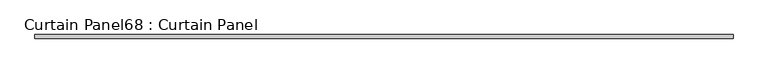
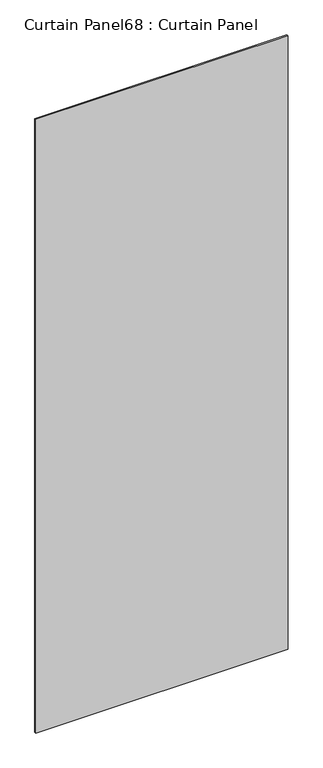
"""IFC4 building model written with IfcOpenShell, lengths in millimetres: plate geometry, Curtain Panel68 : Curtain Panel."""

from ifc_helpers import new_model, si_unit, frame, origin, place, context, project, spatial, polyline, outline, extrude, source, transform, mapped, element, save


def curtain_panel68_curtain_panel_62bd3b74(model_context):
    return source(origin(), model_context, "Body", "SweptSolid", [
        extrude(outline(polyline([(-17010.9512375, 9724.7124625), (-18147.540599, 9724.7124625), (-18147.540599, 9731.0624625), (-17010.9512375, 9731.0624625), (-17010.9512375, 9724.7124625)])), frame((0.0, 0.0, 63.5), z_axis=(0.0, 0.0, 1.0), x_axis=(1.0, 0.0, 0.0)), (0.0, 0.0, 1.0), 2921.0),
    ])


if __name__ == "__main__":
    model = new_model("IFC4")
    model_context = context("Model", 3, world=origin())
    ifc_project = project(units=[si_unit("LENGTHUNIT", "METRE", prefix="MILLI")], contexts=[model_context])
    site = spatial("IfcSite", under=ifc_project)
    building = spatial("IfcBuilding", under=site)
    placement = place(None, origin())
    curtain_panel68_curtain_panel_shape = curtain_panel68_curtain_panel_62bd3b74(model_context)
    element("IfcPlate", 1, ObjectType="Curtain Panel68 : Curtain Panel", at=placement, inside=building, context=model_context, shape_type="MappedRepresentation", body=[
        mapped(curtain_panel68_curtain_panel_shape, transform((0.0, 0.0, 0.0), x_axis=(1.0, 0.0, 0.0), y_axis=(0.0, 1.0, 0.0), z_axis=(0.0, 0.0, 1.0))),
    ])
    save(model, "model.ifc")
